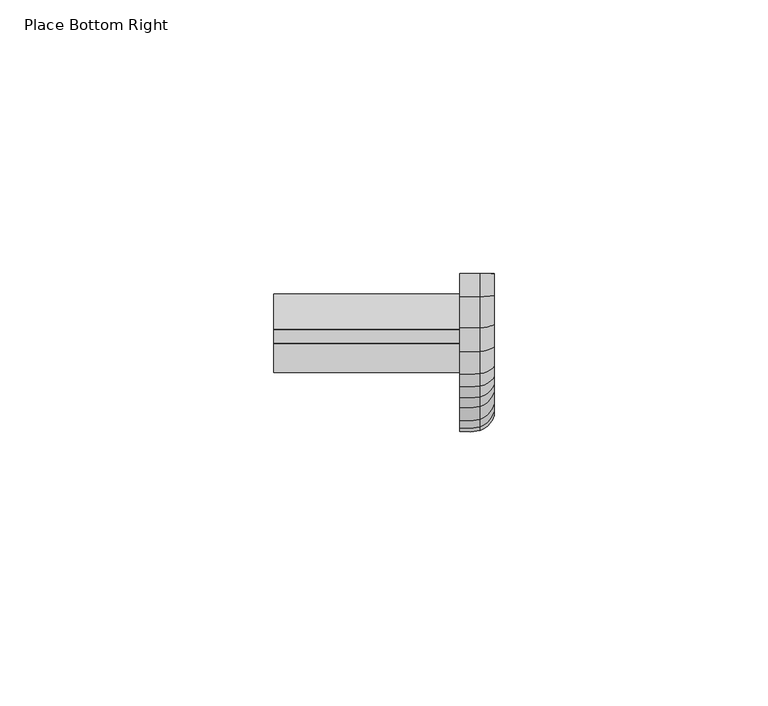
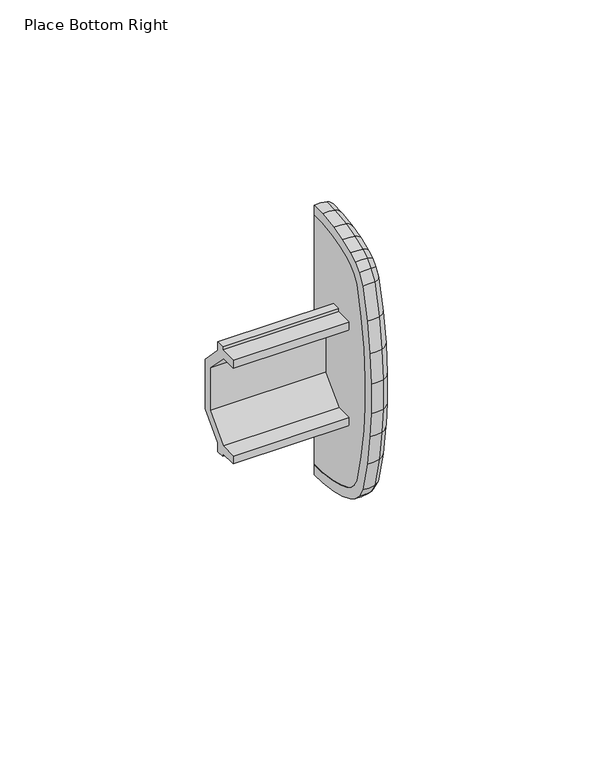
"""IFC4 building model written with IfcOpenShell, lengths in millimetres: furniture geometry, Place Bottom Right."""

from ifc_helpers import new_model, si_unit, frame, origin, place, context, project, spatial, polyline, circle_curve, ellipse_curve, outline, extrude, source, transform, mapped, element, save
from ifc_brep_helpers import plane_surface, cylinder_surface, advanced_brep


def place_bottom_right_660e80ee(model_context):
    return source(origin(), model_context, "Body", "SolidModel", [
        advanced_brep(
        [(0.0, 0.0345067, 805.3862418), (6.2857404, 0.0345067, 805.3862418), (3.7374705, 0.0022714, 802.6066791), (0.0, 0.0, 802.4108197), (0.0, 0.0345068, 882.6343891), (0.0, 0.0, 885.6098111), (3.7374705, 0.0022714, 885.4139518), (6.2857404, 0.0345068, 882.6343891), (0.0, -4.0166405, 805.4332239), (6.2857404, -4.0166405, 805.4332239), (3.7374705, -4.2331853, 802.6557987), (0.0, -4.2484439, 802.46009), (0.0, -9.9277677, 803.2837316), (0.0, -14.3006328, 804.4558984), (0.0, -18.3551887, 806.0345811), (0.0, -20.6131389, 807.4696936), (0.0, -22.67665, 809.5332047), (0.0, -24.4838344, 812.5442128), (0.0, -26.8114062, 821.9436391), (0.0, -28.1951654, 831.1465657), (0.0, -28.7909025, 838.6782281), (0.0, -28.8690704, 847.7884278), (0.0, -28.1951654, 856.8740651), (0.0, -26.8114085, 866.0769917), (0.0, -24.4838344, 875.476418), (0.0, -22.6583951, 878.5178373), (0.0, -20.6464891, 880.5297433), (0.0, -18.3551887, 881.9860497), (0.0, -14.3006328, 883.5647325), (0.0, -9.9277677, 884.7368993), (0.0, -4.24843, 885.5605409), (0.0, -4.016627, 882.5874069), (0.0, -9.3269329, 881.8172839), (0.0, -13.372825, 880.7327637), (0.0, -17.0045177, 879.3187271), (0.0, -18.7739699, 878.1940973), (0.0, -20.2954399, 876.6726274), (0.0, -21.7027531, 874.3278604), (0.0, -23.8895635, 865.4968793), (0.0, -25.2359754, 856.5423225), (0.0, -25.8925026, 847.6909745), (0.0, -25.8162884, 838.8084705), (0.0, -25.23706, 831.4855221), (0.0, -23.8895613, 822.5237515), (0.0, -21.7027528, 813.6927693), (0.0, -20.3136941, 811.3784141), (0.0, -18.7406187, 809.8053386), (0.0, -17.0045165, 808.7019033), (0.0, -13.372825, 807.2878671), (0.0, -9.3269324, 806.2033468), (6.2857404, -9.3269324, 806.2033468), (3.7374705, -9.8882173, 803.4759174), (6.2857404, -13.372825, 807.2878671), (3.7374705, -14.2395592, 804.6423148), (6.2857404, -17.0045165, 808.7019033), (3.7374705, -18.2662797, 806.2101595), (6.2857404, -18.7406187, 809.8053386), (3.7374705, -20.4898788, 807.6234392), (6.2857404, -20.3136941, 811.3784141), (6.2857404, -21.7027528, 813.6927693), (3.7374705, -22.5211067, 809.654667), (3.7374705, -24.3007676, 812.6198174), (6.2857404, -23.8895613, 822.5237515), (3.7374705, -26.6190736, 821.9818254), (6.2857404, -25.23706, 831.4855221), (3.7374705, -28.0004459, 831.1688778), (6.2857404, -25.8162884, 838.8084705), (3.7374705, -28.5950963, 838.6868014), (6.2857404, -25.8925026, 847.6909745), (3.7374705, -28.6731357, 847.7820129), (6.2857404, -25.2359754, 856.5423225), (3.7374705, -28.0003745, 856.8522279), (6.2857404, -23.8895635, 865.4968793), (3.7374705, -26.6190759, 866.0388054), (6.2857404, -21.7027531, 874.3278604), (3.7374705, -24.3007677, 875.4008134), (6.2857404, -20.2954399, 876.6726274), (3.7374705, -22.5028519, 878.396375), (6.2857404, -18.7739699, 878.1940973), (6.2857404, -17.0045177, 879.3187271), (3.7374705, -20.5232292, 880.3759977), (3.7374705, -18.2662798, 881.8104713), (6.2857404, -13.372825, 880.7327637), (3.7374705, -14.2395592, 883.378316), (6.2857404, -9.3269329, 881.8172839), (3.7374705, -9.8882173, 884.5447134), (6.2857404, -4.016627, 882.5874069), (3.7374705, -4.2331714, 885.3648321)],
        [
            (0, 1),
            (1, 2, circle_curve(frame((2.1154827, 0.0491771, 806.6512341), z_axis=(0.0, 0.999932758726831, -0.011596466054346496), x_axis=(0.0, -0.011596466054346494, -0.9999327587268307)), 4.3579204)),
            (2, 3, circle_curve(frame((1.3719617, 0.1110587, 811.9871163), z_axis=(0.0, 0.999932758726831, -0.011596466054346496), x_axis=(0.0, -0.011596466054346494, -0.9999327587268307)), 9.6747129)),
            (3, 0),
            (4, 5),
            (5, 6, circle_curve(frame((1.3719617, 0.111059, 876.0335145), z_axis=(0.0, 0.9999327582865747, 0.011596504016416072), x_axis=(0.0, -0.011596504016416072, 0.9999327582865747)), 9.6747129)),
            (6, 7, circle_curve(frame((2.1154827, 0.0491773, 881.3693967), z_axis=(0.0, 0.9999327582865747, 0.011596504016416072), x_axis=(0.0, -0.011596504016416072, 0.9999327582865747)), 4.3579204)),
            (7, 4),
            (0, 8),
            (8, 9),
            (9, 1),
            (9, 10, ellipse_curve(frame((2.1154827, -3.9180899, 806.6972435), z_axis=(0.0, 0.996974436708116, -0.07773012640240863), x_axis=(0.0, 0.07773012640241289, 0.9969744367081159)), 4.3674905, 4.3579204)),
            (10, 2),
            (3, 11),
            (11, 12),
            (12, 13),
            (13, 14),
            (14, 15),
            (15, 16),
            (16, 17),
            (17, 18),
            (18, 19),
            (19, 20),
            (20, 21),
            (21, 22),
            (22, 23),
            (23, 24),
            (24, 25),
            (25, 26),
            (26, 27),
            (27, 28),
            (28, 29),
            (29, 30),
            (30, 5),
            (4, 31),
            (31, 32),
            (32, 33),
            (33, 34),
            (34, 35),
            (35, 36),
            (36, 37),
            (37, 38),
            (38, 39),
            (39, 40),
            (40, 41),
            (41, 42),
            (42, 43),
            (43, 44),
            (44, 45),
            (45, 46),
            (46, 47),
            (47, 48),
            (48, 49),
            (49, 8),
            (49, 50),
            (50, 9),
            (50, 51, ellipse_curve(frame((2.1154827, -9.071489, 807.4446131), z_axis=(0.0, 0.9794743974731754, -0.2015686103900115), x_axis=(0.0, 0.2015686103900049, 0.9794743974731767)), 4.3655006, 4.3579204)),
            (51, 10),
            (48, 52),
            (52, 50),
            (52, 53, ellipse_curve(frame((2.1154827, -12.9783701, 808.4918707), z_axis=(0.0, 0.9502997040868886, -0.3113365902241043), x_axis=(0.0, 0.3113365902241085, 0.9502997040868875)), 4.3644485, 4.3579204)),
            (53, 51),
            (47, 54),
            (54, 52),
            (54, 55, ellipse_curve(frame((2.1154827, -16.430282, 809.8359079), z_axis=(0.0, 0.8921397276806273, -0.4517595669091425), x_axis=(0.0, 0.45175956690914404, 0.8921397276806267)), 4.3786891, 4.3579204)),
            (55, 53),
            (46, 56),
            (56, 54),
            (56, 57, ellipse_curve(frame((2.1154827, -17.9445219, 810.7983315), z_axis=(0.0, 0.7802159010365789, -0.6255103098828023), x_axis=(0.0, 0.6255103098828019, 0.7802159010365791)), 4.3842322, 4.3579204)),
            (57, 55),
            (58, 45),
            (44, 59),
            (59, 58),
            (60, 58, ellipse_curve(frame((2.1154827, -19.3090901, 812.1628996), z_axis=(0.0, -0.6154679787389702, 0.7881618914581994), x_axis=(0.0, -0.7881618914581989, -0.6154679787389709)), 4.3907801, 4.3579204)),
            (59, 61, ellipse_curve(frame((2.1154827, -20.5203837, 814.1810749), z_axis=(0.0, 0.3817172500696246, -0.9242791466863697), x_axis=(0.0, 0.9242791466863699, 0.38171725006962426)), 4.4066859, 4.3579204)),
            (61, 60),
            (43, 62),
            (62, 59),
            (62, 63, ellipse_curve(frame((2.1154827, -22.6473471, 822.7703847), z_axis=(0.0, 0.1947419843078613, -0.9808545047803148), x_axis=(0.0, 0.9808545047803154, 0.19474198430785808)), 4.3626873, 4.3579204)),
            (63, 61),
            (42, 64),
            (64, 62),
            (64, 65, ellipse_curve(frame((2.1154827, -23.9794298, 831.6296285), z_axis=(0.0, 0.11384072236192287, -0.9934990135536701), x_axis=(0.0, 0.9934990135536704, 0.1138407223619199)), 4.3606147, 4.3579204)),
            (65, 63),
            (41, 66),
            (66, 64),
            (66, 67, ellipse_curve(frame((2.1154827, -24.5516395, 838.8638428), z_axis=(0.0, 0.043742744538001026, -0.9990428280610814), x_axis=(0.0, 0.9990428280610811, 0.0437427445380049)), 4.360618, 4.3579204)),
            (67, 65),
            (40, 68),
            (68, 66),
            (68, 69, ellipse_curve(frame((2.1154827, -24.6270231, 847.6495425), z_axis=(0.0, -0.03272262932383439, -0.9994644713696105), x_axis=(0.0, 0.9994644713696106, -0.03272262932383473)), 4.3616412, 4.3579204)),
            (69, 67),
            (39, 70),
            (70, 68),
            (70, 71, ellipse_curve(frame((2.1154827, -23.977884, 856.4012831), z_axis=(0.0, -0.11140799859008843, -0.9937747520691753), x_axis=(0.0, 0.9937747520691752, -0.11140799859008976)), 4.3610032, 4.3579204)),
            (71, 69),
            (38, 72),
            (72, 70),
            (72, 73, ellipse_curve(frame((2.1154827, -22.6473493, 865.2502462), z_axis=(0.0, -0.19474197760746276, -0.9808545061106334), x_axis=(0.0, 0.9808545061106335, -0.1947419776074624)), 4.3626874, 4.3579204)),
            (73, 71),
            (37, 74),
            (74, 72),
            (74, 75, ellipse_curve(frame((2.1154827, -20.5203842, 873.8395543), z_axis=(0.0, -0.3817176115170383, -0.9242789974124304), x_axis=(0.0, 0.9242789974124304, -0.38171761151703826)), 4.406686, 4.3579204)),
            (75, 73),
            (36, 76),
            (76, 74),
            (76, 77, ellipse_curve(frame((2.1154827, -19.2908361, 875.8881415), z_axis=(0.0, -0.6154681972461614, -0.7881617208280037), x_axis=(0.0, 0.7881617208280038, -0.6154681972461614)), 4.39078, 4.3579204)),
            (77, 75),
            (78, 35),
            (34, 79),
            (79, 78),
            (80, 78, ellipse_curve(frame((2.1154827, -17.9778736, 877.201104), z_axis=(0.0, 0.7802161816917386, 0.6255099598138818), x_axis=(0.0, -0.6255099598138821, 0.7802161816917385)), 4.3842324, 4.3579204)),
            (79, 81, ellipse_curve(frame((2.1154827, -16.4302838, 878.1847223), z_axis=(0.0, -0.8921399303769273, -0.45175916662205234), x_axis=(0.0, 0.45175916662205184, -0.8921399303769276)), 4.3786889, 4.3579204)),
            (81, 80),
            (33, 82),
            (82, 79),
            (82, 83, ellipse_curve(frame((2.1154827, -12.9783701, 879.5287601), z_axis=(0.0, -0.9502997040868763, -0.31133659022414173), x_axis=(0.0, 0.31133659022413696, -0.9502997040868778)), 4.3644485, 4.3579204)),
            (83, 81),
            (32, 84),
            (84, 82),
            (84, 85, ellipse_curve(frame((2.1154827, -9.0714897, 880.5760176), z_axis=(0.0, -0.9794744325328946, -0.20156844002562532), x_axis=(0.0, 0.20156844002562394, -0.9794744325328949)), 4.3655006, 4.3579204)),
            (85, 83),
            (31, 86),
            (86, 84),
            (86, 87, ellipse_curve(frame((2.1154827, -3.9180767, 881.3233873), z_axis=(0.0, -0.9969744487525581, -0.07772997191902947), x_axis=(0.0, 0.07772997191903519, -0.9969744487525576)), 4.3674904, 4.3579204)),
            (87, 85),
            (7, 86),
            (6, 87),
            (58, 56),
            (60, 57),
            (78, 76),
            (80, 77),
            (10, 11, ellipse_curve(frame((1.3719617, -3.5023923, 812.0290224), z_axis=(0.0, 0.996974436708116, -0.07773012640240863), x_axis=(0.0, 0.07773012640241289, 0.9969744367081159)), 9.6959587, 9.6747129)),
            (51, 12, ellipse_curve(frame((1.3719617, -7.9939993, 812.6804159), z_axis=(0.0, 0.9794743974731754, -0.2015686103900115), x_axis=(0.0, 0.2015686103900049, 0.9794743974731767)), 9.6915411, 9.6747129)),
            (53, 13, ellipse_curve(frame((1.3719617, -11.3145143, 813.5704953), z_axis=(0.0, 0.9502997040868886, -0.3113365902241043), x_axis=(0.0, 0.3113365902241085, 0.9502997040868875)), 9.6892055, 9.6747129)),
            (55, 14, ellipse_curve(frame((1.3719617, -14.0080953, 814.6192686), z_axis=(0.0, 0.8921397276806273, -0.4517595669091425), x_axis=(0.0, 0.45175956690914404, 0.8921397276806267)), 9.7208201, 9.6747129)),
            (57, 15, ellipse_curve(frame((1.3719617, -14.5864951, 814.9868891), z_axis=(0.0, 0.7802159010365789, -0.6255103098828023), x_axis=(0.0, 0.6255103098828019, 0.7802159010365791)), 9.7331259, 9.6747129)),
            (60, 16, ellipse_curve(frame((1.3719617, -15.0715554, 815.4719494), z_axis=(0.0, 0.6154679787389702, -0.7881618914581994), x_axis=(0.0, 0.7881618914581998, 0.61546797873897)), 9.7476625, 9.6747129)),
            (61, 17, ellipse_curve(frame((1.3719617, -15.5330159, 816.2408036), z_axis=(0.0, 0.3817172500696246, -0.9242791466863697), x_axis=(0.0, 0.9242791466863699, 0.38171725006962426)), 9.7829737, 9.6747129)),
            (63, 18, ellipse_curve(frame((1.3719617, -17.4075457, 823.8107116), z_axis=(0.0, 0.1947419843078613, -0.9808545047803148), x_axis=(0.0, 0.9808545047803154, 0.19474198430785808)), 9.6852956, 9.6747129)),
            (65, 19, ellipse_curve(frame((1.3719617, -18.6746019, 832.2374856), z_axis=(0.0, 0.11384072236192287, -0.9934990135536701), x_axis=(0.0, 0.9934990135536704, 0.1138407223619199)), 9.6806942, 9.6747129)),
            (67, 20, ellipse_curve(frame((1.3719617, -19.2172061, 839.0974091), z_axis=(0.0, 0.043742744538001026, -0.9990428280610814), x_axis=(0.0, 0.9990428280610811, 0.0437427445380049)), 9.6807017, 9.6747129)),
            (69, 21, ellipse_curve(frame((1.3719617, -19.2890861, 847.4747776), z_axis=(0.0, -0.03272262932383439, -0.9994644713696105), x_axis=(0.0, 0.9994644713696106, -0.03272262932383473)), 9.6829732, 9.6747129)),
            (71, 22, ellipse_curve(frame((1.3719617, -18.6711111, 855.8063626), z_axis=(0.0, -0.11140799859008843, -0.9937747520691753), x_axis=(0.0, 0.9937747520691752, -0.11140799859008976)), 9.6815568, 9.6747129)),
            (73, 23, ellipse_curve(frame((1.3719617, -17.4075479, 864.2099193), z_axis=(0.0, -0.19474197760746276, -0.9808545061106334), x_axis=(0.0, 0.9808545061106335, -0.1947419776074624)), 9.6852957, 9.6747129)),
            (75, 24, ellipse_curve(frame((1.3719617, -15.5330172, 871.7798236), z_axis=(0.0, -0.3817176115170383, -0.9242789974124304), x_axis=(0.0, 0.9242789974124304, -0.38171761151703826)), 9.782974, 9.6747129)),
            (77, 25, ellipse_curve(frame((1.3719617, -15.0533024, 872.5790907), z_axis=(0.0, -0.6154681972461614, -0.7881617208280037), x_axis=(0.0, 0.7881617208280038, -0.6154681972461614)), 9.7476621, 9.6747129)),
            (80, 26, ellipse_curve(frame((1.3719617, -14.6198485, 873.0125447), z_axis=(0.0, -0.7802161816917386, -0.6255099598138818), x_axis=(0.0, 0.6255099598138821, -0.7802161816917385)), 9.7331264, 9.6747129)),
            (81, 27, ellipse_curve(frame((1.3719617, -14.0080993, 873.4013607), z_axis=(0.0, -0.8921399303769273, -0.45175916662205234), x_axis=(0.0, 0.45175916662205184, -0.8921399303769276)), 9.7208196, 9.6747129)),
            (83, 28, ellipse_curve(frame((1.3719617, -11.3145143, 874.4501355), z_axis=(0.0, -0.9502997040868763, -0.31133659022414173), x_axis=(0.0, 0.31133659022413696, -0.9502997040868778)), 9.6892055, 9.6747129)),
            (85, 29, ellipse_curve(frame((1.3719617, -7.994001, 875.3402146), z_axis=(0.0, -0.9794744325328946, -0.20156844002562532), x_axis=(0.0, 0.20156844002562394, -0.9794744325328949)), 9.6915412, 9.6747129)),
            (87, 30, ellipse_curve(frame((1.3719617, -3.5023799, 875.9916084), z_axis=(0.0, -0.9969744487525581, -0.07772997191902947), x_axis=(0.0, 0.07772997191903519, -0.9969744487525576)), 9.6959586, 9.6747129)),
        ],
        [
            plane_surface(frame((6.2857404, 0.0, 802.4108197), z_axis=(0.0, 0.9999327587268309, -0.011596466054346496), x_axis=(1.0, 0.0, 0.0))),
            plane_surface(frame((6.2857404, 0.0, 885.6098111), z_axis=(0.0, 0.9999327582865747, 0.011596504016417078), x_axis=(1.0, 0.0, 0.0))),
            plane_surface(frame((0.0, 0.0345067, 805.3862418), z_axis=(0.0, 0.011596466054343326, 0.9999327587268309), x_axis=(0.0, -0.9999327587268309, 0.011596466054343326))),
            cylinder_surface(frame((2.1154827, 0.0491771, 806.6512341), z_axis=(0.0, 0.9999327587268307, -0.011596466054346494), x_axis=(0.0, -0.011596466054346494, -0.9999327587268307)), 4.3579204),
            plane_surface(frame((0.0, 0.0, 802.4108197), z_axis=(-1.0000000000000002, 0.0, 0.0), x_axis=(0.0, -0.9999327587268309, 0.011596466054346471))),
            plane_surface(frame((0.0, -4.0166405, 805.4332239), z_axis=(0.0, 0.14352314125733445, 0.9896469612561983), x_axis=(0.0, -0.9896469612561983, 0.14352314125733445))),
            cylinder_surface(frame((2.1154827, -3.6398054, 806.6568854), z_axis=(0.0, 0.989646961256198, -0.14352314125733678), x_axis=(0.0, -0.14352314125733678, -0.989646961256198)), 4.3579204),
            plane_surface(frame((0.0, -9.3269324, 806.2033468), z_axis=(0.0, 0.2589140806109738, 0.9659003565903547), x_axis=(0.0, -0.9659003565903547, 0.2589140806109738))),
            cylinder_surface(frame((2.1154827, -8.8297909, 807.3798248), z_axis=(0.0, 0.9659003565903542, -0.25891408061097543), x_axis=(0.0, -0.25891408061097543, -0.9659003565903542)), 4.3579204),
            plane_surface(frame((0.0, -13.372825, 807.2878671), z_axis=(0.0, 0.36282773646722377, 0.9318562301396449), x_axis=(0.0, -0.9318562301396449, 0.36282773646722377))),
            cylinder_surface(frame((2.1154827, -12.7619894, 808.4076207), z_axis=(0.0, 0.9318562301396467, -0.3628277364672195), x_axis=(0.0, -0.3628277364672195, -0.9318562301396467)), 4.3579204),
            plane_surface(frame((0.0, -17.0045165, 808.7019033), z_axis=(0.0, 0.5364058836574612, 0.8439601459652335), x_axis=(0.0, -0.8439601459652335, 0.5364058836574612))),
            cylinder_surface(frame((2.1154827, -16.0804525, 809.6135625), z_axis=(0.0, 0.8439601459652303, -0.5364058836574664), x_axis=(0.0, -0.5364058836574664, -0.8439601459652303)), 4.3579204),
            plane_surface(frame((0.0, -20.3136941, 811.3784141), z_axis=(0.0, 0.8574201090031381, 0.5146170971480124), x_axis=(0.0, -0.5146170971480124, 0.8574201090031381))),
            cylinder_surface(frame((2.1154827, -19.0405889, 811.7155412), z_axis=(0.0, 0.5146170971480156, -0.8574201090031363), x_axis=(0.0, -0.8574201090031363, -0.5146170971480156)), 4.3579204),
            plane_surface(frame((0.0, -21.7027528, 813.6927693), z_axis=(0.0, 0.97068157590288, 0.24036904584971364), x_axis=(0.0, -0.24036904584971364, 0.97068157590288))),
            cylinder_surface(frame((2.1154827, -20.3674655, 813.5635457), z_axis=(0.0, 0.24036904584971097, -0.9706815759028806), x_axis=(0.0, -0.9706815759028806, -0.24036904584971097)), 4.3579204),
            plane_surface(frame((0.0, -23.8895613, 822.5237515), z_axis=(0.0, 0.9888839554113813, 0.1486893497529033), x_axis=(0.0, -0.1486893497529033, 0.9888839554113813))),
            cylinder_surface(frame((2.1154827, -22.6178465, 822.5741859), z_axis=(0.0, 0.14868934975290518, -0.9888839554113811), x_axis=(0.0, -0.9888839554113811, -0.14868934975290518)), 4.3579204),
            plane_surface(frame((0.0, -25.23706, 831.4855221), z_axis=(0.0, 0.9968863795385965, 0.07885141907682787), x_axis=(0.0, -0.07885141907682787, 0.9968863795385965))),
            cylinder_surface(frame((2.1154827, -23.9676697, 831.4809509), z_axis=(0.0, 0.07885141907682738, -0.9968863795385965), x_axis=(0.0, -0.9968863795385965, -0.07885141907682738)), 4.3579204),
            plane_surface(frame((0.0, -25.8162884, 838.8084705), z_axis=(0.0, 0.9999631915649158, 0.008579948444343873), x_axis=(0.0, -0.008579948444343873, 0.9999631915649158))),
            cylinder_surface(frame((2.1154827, -24.550359, 838.7146131), z_axis=(0.0, 0.00857994844434301, -0.9999631915649159), x_axis=(0.0, -0.9999631915649159, -0.00857994844434301)), 4.3579204),
            plane_surface(frame((0.0, -25.8925026, 847.6909745), z_axis=(0.0, 0.9972605132152331, -0.07396937732392922), x_axis=(0.0, 0.07396937732392922, 0.9972605132152331))),
            cylinder_surface(frame((2.1154827, -24.6399882, 847.4747459), z_axis=(0.0, -0.07396937732392891, -0.9972605132152332), x_axis=(0.0, -0.9972605132152332, 0.07396937732392891)), 4.3579204),
            plane_surface(frame((0.0, -25.2359754, 856.5423225), z_axis=(0.0, 0.9888839912911235, -0.14868911112834454), x_axis=(0.0, 0.14868911112834454, 0.9888839912911235))),
            cylinder_surface(frame((2.1154827, -24.0016054, 856.2435193), z_axis=(0.0, -0.1486891111283452, -0.9888839912911235), x_axis=(0.0, -0.9888839912911235, 0.1486891111283452)), 4.3579204),
            plane_surface(frame((0.0, -23.8895635, 865.4968793), z_axis=(0.0, 0.9706815211841499, -0.24036926682008417), x_axis=(0.0, 0.24036926682008417, 0.9706815211841499))),
            cylinder_surface(frame((2.1154827, -22.6950398, 865.0576579), z_axis=(0.0, -0.24036926682008913, -0.9706815211841487), x_axis=(0.0, -0.9706815211841487, 0.24036926682008913)), 4.3579204),
            plane_surface(frame((0.0, -21.7027531, 874.3278604), z_axis=(0.0, 0.8574198236617492, -0.5146175725641859), x_axis=(0.0, 0.5146175725641859, 0.8574198236617492))),
            cylinder_surface(frame((2.1154827, -20.8477745, 873.2940795), z_axis=(0.0, -0.5146175725641723, -0.8574198236617572), x_axis=(0.0, -0.8574198236617572, 0.5146175725641723)), 4.3579204),
            plane_surface(frame((0.0, -18.7739699, 878.1940973), z_axis=(0.0, 0.5364051263177706, -0.8439606273162372), x_axis=(0.0, 0.8439606273162372, 0.5364051263177706))),
            cylinder_surface(frame((2.1154827, -18.3717561, 876.9507598), z_axis=(0.0, -0.8439606273162563, -0.5364051263177406), x_axis=(0.0, -0.5364051263177406, 0.8439606273162563)), 4.3579204),
            plane_surface(frame((0.0, -17.0045177, 879.3187271), z_axis=(0.0, 0.3628277364672712, -0.9318562301396265), x_axis=(0.0, 0.9318562301396265, 0.3628277364672712))),
            cylinder_surface(frame((2.1154827, -16.8165452, 878.0343274), z_axis=(0.0, -0.9318562301396278, -0.36282773646726757), x_axis=(0.0, -0.36282773646726757, 0.9318562301396278)), 4.3579204),
            plane_surface(frame((0.0, -13.372825, 880.7327637), z_axis=(0.0, 0.2589140806109975, -0.9659003565903482), x_axis=(0.0, 0.9659003565903482, 0.2589140806109975))),
            cylinder_surface(frame((2.1154827, -13.202656, 879.4686392), z_axis=(0.0, -0.9659003565903471, -0.25891408061100185), x_axis=(0.0, -0.25891408061100185, 0.9659003565903471)), 4.3579204),
            plane_surface(frame((0.0, -9.3269329, 881.8172839), z_axis=(0.0, 0.14352279698979345, -0.9896470111833949), x_axis=(0.0, 0.9896470111833949, 0.14352279698979345))),
            cylinder_surface(frame((2.1154827, -9.3191306, 880.5401036), z_axis=(0.0, -0.9896470111833917, -0.14352279698981527), x_axis=(0.0, -0.14352279698981527, 0.9896470111833917)), 4.3579204),
            plane_surface(frame((0.0, -4.016627, 882.5874069), z_axis=(0.0, 0.011596504016427528, -0.9999327582865746), x_axis=(0.0, 0.9999327582865746, 0.011596504016427528))),
            cylinder_surface(frame((2.1154827, -4.1992527, 881.3201265), z_axis=(0.0, -0.9999327582865747, -0.011596504016416072), x_axis=(0.0, -0.011596504016416072, 0.9999327582865747)), 4.3579204),
            plane_surface(frame((0.0, -18.7406187, 809.8053386), z_axis=(0.0, 0.707106781186548, 0.707106781186547), x_axis=(0.0, -0.707106781186547, 0.707106781186548))),
            cylinder_surface(frame((2.1154827, -17.6145114, 810.468321), z_axis=(0.0, 0.7071067811865441, -0.707106781186551), x_axis=(0.0, -0.707106781186551, -0.7071067811865441)), 4.3579204),
            plane_surface(frame((0.0, -20.2954399, 876.6726274), z_axis=(0.0, 0.7071067811865563, -0.7071067811865387), x_axis=(0.0, 0.7071067811865387, 0.7071067811865563))),
            cylinder_surface(frame((2.1154827, -19.6597677, 875.5192099), z_axis=(0.0, -0.7071067811865444, -0.7071067811865507), x_axis=(0.0, -0.7071067811865507, 0.7071067811865444)), 4.3579204),
            cylinder_surface(frame((1.3719617, 0.1110587, 811.9871163), z_axis=(0.0, 0.9999327587268307, -0.011596466054346494), x_axis=(0.0, -0.011596466054346494, -0.9999327587268307)), 9.6747129),
            cylinder_surface(frame((1.3719617, -2.8739313, 811.9378801), z_axis=(0.0, 0.989646961256198, -0.14352314125733678), x_axis=(0.0, -0.14352314125733678, -0.989646961256198)), 9.6747129),
            cylinder_surface(frame((1.3719617, -7.4481629, 812.5341019), z_axis=(0.0, 0.9659003565903542, -0.25891408061097543), x_axis=(0.0, -0.25891408061097543, -0.9659003565903542)), 9.6747129),
            cylinder_surface(frame((1.3719617, -10.8258532, 813.3802301), z_axis=(0.0, 0.9318562301396467, -0.3628277364672195), x_axis=(0.0, -0.3628277364672195, -0.9318562301396467)), 9.6747129),
            cylinder_surface(frame((1.3719617, -13.2180614, 814.1171372), z_axis=(0.0, 0.8439601459652303, -0.5364058836574664), x_axis=(0.0, -0.5364058836574664, -0.8439601459652303)), 9.6747129),
            cylinder_surface(frame((1.3719617, -13.8412192, 814.2416132), z_axis=(0.0, 0.7071067811865441, -0.707106781186551), x_axis=(0.0, -0.707106781186551, -0.7071067811865441)), 9.6747129),
            cylinder_surface(frame((1.3719617, -14.4651886, 814.4616621), z_axis=(0.0, 0.5146170971480156, -0.8574201090031363), x_axis=(0.0, -0.8574201090031363, -0.5146170971480156)), 9.6747129),
            cylinder_surface(frame((1.3719617, -15.1876746, 814.8462129), z_axis=(0.0, 0.24036904584971097, -0.9706815759028806), x_axis=(0.0, -0.9706815759028806, -0.24036904584971097)), 9.6747129),
            cylinder_surface(frame((1.3719617, -17.3409234, 823.3676282), z_axis=(0.0, 0.14868934975290518, -0.9888839554113811), x_axis=(0.0, -0.9888839554113811, -0.14868934975290518)), 9.6747129),
            cylinder_surface(frame((1.3719617, -18.6480437, 831.9017211), z_axis=(0.0, 0.07885141907682738, -0.9968863795385965), x_axis=(0.0, -0.9968863795385965, -0.07885141907682738)), 9.6747129),
            cylinder_surface(frame((1.3719617, -19.2143145, 838.7603977), z_axis=(0.0, 0.00857994844434301, -0.9999631915649159), x_axis=(0.0, -0.9999631915649159, -0.00857994844434301)), 9.6747129),
            cylinder_surface(frame((1.3719617, -19.3183658, 847.0800275), z_axis=(0.0, -0.07396937732392891, -0.9972605132152332), x_axis=(0.0, -0.9972605132152332, 0.07396937732392891)), 9.6747129),
            cylinder_surface(frame((1.3719617, -18.7246821, 855.4500783), z_axis=(0.0, -0.1486891111283452, -0.9888839912911235), x_axis=(0.0, -0.9888839912911235, 0.1486891111283452)), 9.6747129),
            cylinder_surface(frame((1.3719617, -17.5152493, 863.7749896), z_axis=(0.0, -0.24036926682008913, -0.9706815211841487), x_axis=(0.0, -0.9706815211841487, 0.24036926682008913)), 9.6747129),
            cylinder_surface(frame((1.3719617, -16.2723757, 870.5479561), z_axis=(0.0, -0.5146175725641723, -0.8574198236617572), x_axis=(0.0, -0.8574198236617572, 0.5146175725641723)), 9.6747129),
            cylinder_surface(frame((1.3719617, -15.8864755, 871.7459177), z_axis=(0.0, -0.7071067811865444, -0.7071067811865507), x_axis=(0.0, -0.7071067811865507, 0.7071067811865444)), 9.6747129),
            cylinder_surface(frame((1.3719617, -15.5093691, 872.4471825), z_axis=(0.0, -0.8439606273162563, -0.5364051263177406), x_axis=(0.0, -0.5364051263177406, 0.8439606273162563)), 9.6747129),
            cylinder_surface(frame((1.3719617, -14.880409, 873.061718), z_axis=(0.0, -0.9318562301396278, -0.36282773646726757), x_axis=(0.0, -0.36282773646726757, 0.9318562301396278)), 9.6747129),
            cylinder_surface(frame((1.3719617, -11.8210281, 874.3143621), z_axis=(0.0, -0.9659003565903471, -0.25891408061100185), x_axis=(0.0, -0.25891408061100185, 0.9659003565903471)), 9.6747129),
            cylinder_surface(frame((1.3719617, -8.5532584, 875.2591087), z_axis=(0.0, -0.9896470111833917, -0.14352279698981527), x_axis=(0.0, -0.14352279698981527, 0.9896470111833917)), 9.6747129),
            cylinder_surface(frame((1.3719617, -4.137371, 875.9842443), z_axis=(0.0, -0.9999327582865747, -0.011596504016416072), x_axis=(0.0, -0.011596504016416072, 0.9999327582865747)), 9.6747129),
        ],
        [
            (0, [[1, 2, 3, 4]]),
            (1, [[5, 6, 7, 8]]),
            (2, [[-1, 9, 10, 11]]),
            (3, [[-2, -11, 12, 13]]),
            (4, [[-4, 14, 15, 16, 17, 18, 19, 20, 21, 22, 23, 24, 25, 26, 27, 28, 29, 30, 31, 32, 33, 34, -5, 35, 36, 37, 38, 39, 40, 41, 42, 43, 44, 45, 46, 47, 48, 49, 50, 51, 52, 53, 54, -9]]),
            (5, [[-10, -54, 55, 56]]),
            (6, [[-12, -56, 57, 58]]),
            (7, [[-55, -53, 59, 60]]),
            (8, [[-57, -60, 61, 62]]),
            (9, [[-59, -52, 63, 64]]),
            (10, [[-61, -64, 65, 66]]),
            (11, [[-63, -51, 67, 68]]),
            (12, [[-65, -68, 69, 70]]),
            (13, [[71, -49, 72, 73]]),
            (14, [[74, -73, 75, 76]]),
            (15, [[-72, -48, 77, 78]]),
            (16, [[-75, -78, 79, 80]]),
            (17, [[-77, -47, 81, 82]]),
            (18, [[-79, -82, 83, 84]]),
            (19, [[-81, -46, 85, 86]]),
            (20, [[-83, -86, 87, 88]]),
            (21, [[-85, -45, 89, 90]]),
            (22, [[-87, -90, 91, 92]]),
            (23, [[-89, -44, 93, 94]]),
            (24, [[-91, -94, 95, 96]]),
            (25, [[-93, -43, 97, 98]]),
            (26, [[-95, -98, 99, 100]]),
            (27, [[-97, -42, 101, 102]]),
            (28, [[-99, -102, 103, 104]]),
            (29, [[-101, -41, 105, 106]]),
            (30, [[-103, -106, 107, 108]]),
            (31, [[109, -39, 110, 111]]),
            (32, [[112, -111, 113, 114]]),
            (33, [[-110, -38, 115, 116]]),
            (34, [[-113, -116, 117, 118]]),
            (35, [[-115, -37, 119, 120]]),
            (36, [[-117, -120, 121, 122]]),
            (37, [[-119, -36, 123, 124]]),
            (38, [[-121, -124, 125, 126]]),
            (39, [[-123, -35, -8, 127]]),
            (40, [[-125, -127, -7, 128]]),
            (41, [[-67, -50, -71, 129]]),
            (42, [[-69, -129, -74, 130]]),
            (43, [[-105, -40, -109, 131]]),
            (44, [[-107, -131, -112, 132]]),
            (45, [[-3, -13, 133, -14]]),
            (46, [[-133, -58, 134, -15]]),
            (47, [[-134, -62, 135, -16]]),
            (48, [[-135, -66, 136, -17]]),
            (49, [[-136, -70, 137, -18]]),
            (50, [[-137, -130, 138, -19]]),
            (51, [[-138, -76, 139, -20]]),
            (52, [[-139, -80, 140, -21]]),
            (53, [[-140, -84, 141, -22]]),
            (54, [[-141, -88, 142, -23]]),
            (55, [[-142, -92, 143, -24]]),
            (56, [[-143, -96, 144, -25]]),
            (57, [[-144, -100, 145, -26]]),
            (58, [[-145, -104, 146, -27]]),
            (59, [[-146, -108, 147, -28]]),
            (60, [[-147, -132, 148, -29]]),
            (61, [[-148, -114, 149, -30]]),
            (62, [[-149, -118, 150, -31]]),
            (63, [[-150, -122, 151, -32]]),
            (64, [[-151, -126, 152, -33]]),
            (65, [[-152, -128, -6, -34]]),
        ],
    ),
        extrude(outline(polyline([(0.0345068, 882.6343891), (0.0345068, 805.3862418), (-4.0166405, 805.4332239), (-9.3269324, 806.2033468), (-13.372825, 807.2878671), (-17.0045165, 808.7019033), (-18.7448572, 809.8080325), (-20.3113754, 811.3745507), (-21.7027528, 813.6927693), (-23.8895613, 822.5237515), (-25.23706, 831.4855221), (-25.8162884, 838.8084705), (-25.8925026, 847.6909745), (-25.2359754, 856.5423225), (-23.8895635, 865.4968793), (-21.7027531, 874.3278604), (-20.3113724, 876.6460817), (-18.7448465, 878.2126076), (-17.0045177, 879.3187271), (-13.372825, 880.7327637), (-9.3269329, 881.8172839), (-4.016627, 882.5874069), (0.0345068, 882.6343891)])), frame((0.0, 0.0, 0.0), z_axis=(1.0, 0.0, 0.0), x_axis=(0.0, 1.0, 0.0)), (0.0, 0.0, 1.0), 6.2857404),
        extrude(outline(polyline([(-10.1829994, 861.5622538), (-10.1272139, 858.8455591), (-3.6890145, 852.1786085), (-3.6890145, 836.9586684), (-10.1271764, 830.2789889), (-10.1829994, 827.5622942), (-12.6287418, 827.616506), (-12.732753, 828.5125269), (-18.0287415, 828.6165903), (-18.0381943, 831.0026366), (-12.9803755, 831.1045822), (-6.1968403, 837.8881174), (-6.1968403, 851.0928821), (-13.0397886, 857.9358305), (-18.0207119, 858.1097682), (-18.0207119, 860.5118355), (-12.729928, 860.6291099), (-12.6287418, 861.508042), (-10.1829994, 861.5622538)])), frame((-34.0106, 0.0, 0.0), z_axis=(1.0, 0.0, 0.0), x_axis=(0.0, 1.0, 0.0)), (0.0, 0.0, 1.0), 34.0106),
    ])


if __name__ == "__main__":
    model = new_model("IFC4")
    model_context = context("Model", 3, world=origin())
    ifc_project = project(units=[si_unit("LENGTHUNIT", "METRE", prefix="MILLI")], contexts=[model_context])
    site = spatial("IfcSite", under=ifc_project)
    building = spatial("IfcBuilding", under=site)
    placement = place(None, origin())
    place_bottom_right_shape = place_bottom_right_660e80ee(model_context)
    element("IfcFurniture", 1, ObjectType="Place Bottom Right", at=placement, inside=building, context=model_context, shape_type="MappedRepresentation", body=[
        mapped(place_bottom_right_shape, transform((0.0, 0.0, 0.0), x_axis=(1.0, 0.0, 0.0), y_axis=(0.0, 1.0, 0.0), z_axis=(0.0, 0.0, 1.0))),
    ])
    save(model, "model.ifc")
